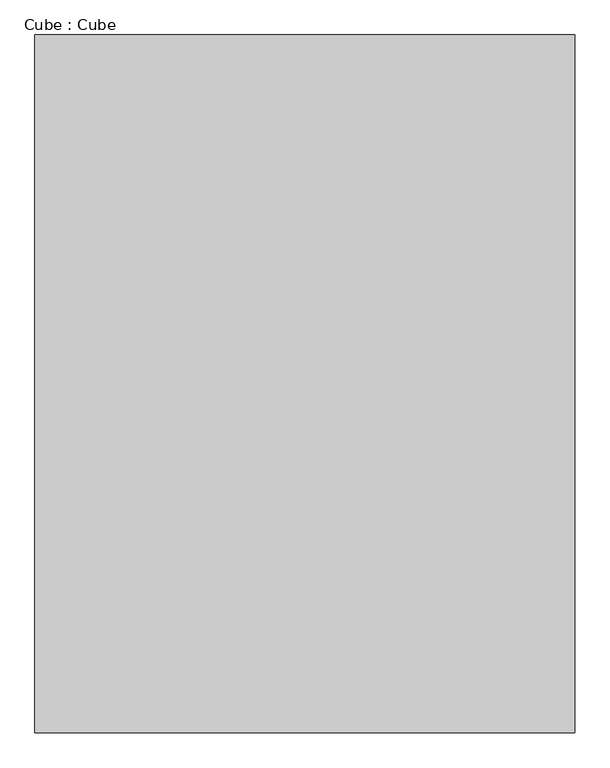
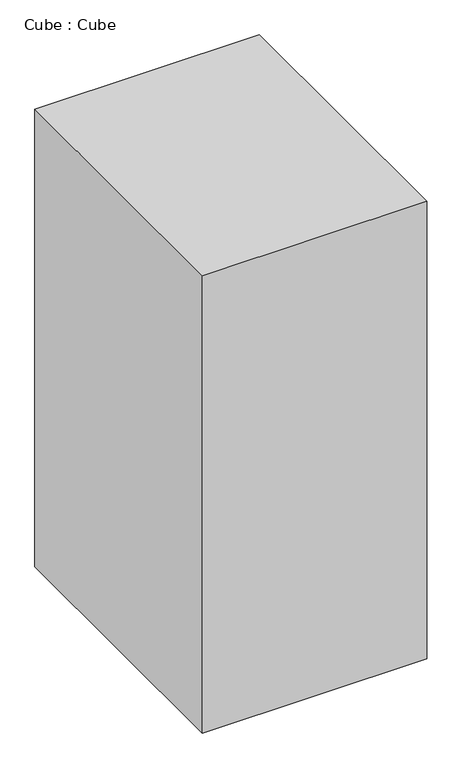
"""IFC4 building model written with IfcOpenShell, lengths in millimetres: proxy geometry, Cube : Cube."""

from ifc_helpers import new_model, si_unit, origin, origin_with_axes, place, context, project, spatial, polyline, outline, extrude, source, transform, mapped, element, save


def cube_cube_3e06fb2d(model_context):
    return source(origin(), model_context, "Body", "SweptSolid", [
        extrude(outline(polyline([(1160.1725, 1500.0), (1160.1725, -1500.0), (-1160.1725, -1500.0), (-1160.1725, 1500.0), (1160.1725, 1500.0)])), origin_with_axes(), (0.0, 0.0, 1.0), 5000.0),
    ])


if __name__ == "__main__":
    model = new_model("IFC4")
    model_context = context("Model", 3, world=origin())
    ifc_project = project(units=[si_unit("LENGTHUNIT", "METRE", prefix="MILLI")], contexts=[model_context])
    site = spatial("IfcSite", under=ifc_project)
    building = spatial("IfcBuilding", under=site)
    placement = place(None, origin())
    cube_cube_shape = cube_cube_3e06fb2d(model_context)
    element("IfcBuildingElementProxy", 1, Name="Cube : Cube", ObjectType="Cube : Cube", at=placement, inside=building, context=model_context, shape_type="MappedRepresentation", body=[
        mapped(cube_cube_shape, transform((0.0, 0.0, 0.0), x_axis=(1.0, 0.0, 0.0), y_axis=(0.0, 1.0, 0.0), z_axis=(0.0, 0.0, 1.0))),
    ])
    save(model, "model.ifc")
